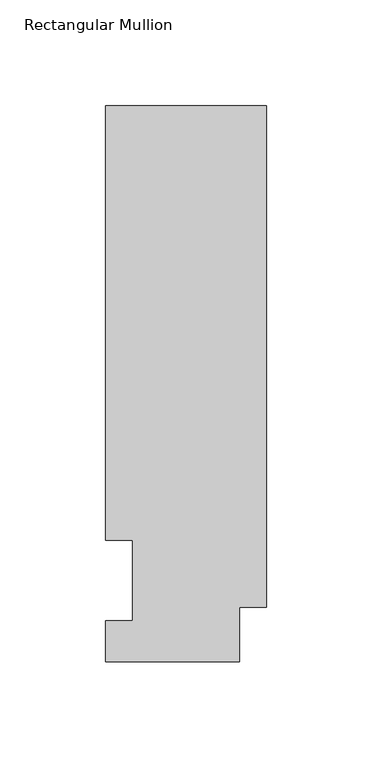
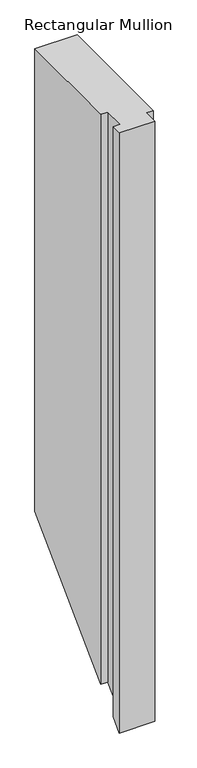
"""IFC4 building model written with IfcOpenShell, lengths in millimetres: member geometry, Rectangular Mullion."""

from ifc_helpers import new_model, si_unit, origin, place, context, project, spatial, faceted_brep, source, transform, mapped, element, save


def rectangular_mullion_7fb9d5b7(model_context):
    return source(origin(), model_context, "Body", "Brep", [
        faceted_brep([(0.0, 263.2336938, 0.0), (-76.2, 263.2336938, 0.0), (-76.2, 57.6460938, 0.0), (-63.5, 57.6460937, 0.0), (-63.5, 19.5460938, 0.0), (-76.2, 19.5460938, 0.0), (-76.2, 0.0134938, 0.0), (-12.7, 0.0134938, 0.0), (-12.7, 25.8955957, 0.0), (0.0, 25.8955957, 0.0), (0.0, 263.2336938, -879.7798), (-76.2, 263.2336938, -879.7798), (-76.2, 57.6460937, -1085.3674), (-63.5, 57.6460937, -1085.3674), (-63.5, 19.5460938, -1123.4674), (-76.2, 19.5460938, -1123.4674), (-76.2, 0.0134938, -1143.0), (-12.7, 0.0134938, -1143.0), (-12.7, 25.8955957, -1117.117898), (0.0, 25.8955957, -1117.117898)], [[[0, 1, 2, 3, 4, 5, 6, 7, 8, 9]], [[1, 0, 10, 11]], [[2, 1, 11, 12]], [[3, 2, 12, 13]], [[4, 3, 13, 14]], [[5, 4, 14, 15]], [[6, 5, 15, 16]], [[7, 6, 16, 17]], [[8, 7, 17, 18]], [[9, 8, 18, 19]], [[0, 9, 19, 10]], [[10, 19, 18, 17, 16, 15, 14, 13, 12, 11]]]),
    ])


if __name__ == "__main__":
    model = new_model("IFC4")
    model_context = context("Model", 3, world=origin())
    ifc_project = project(units=[si_unit("LENGTHUNIT", "METRE", prefix="MILLI")], contexts=[model_context])
    site = spatial("IfcSite", under=ifc_project)
    building = spatial("IfcBuilding", under=site)
    placement = place(None, origin())
    rectangular_mullion_shape = rectangular_mullion_7fb9d5b7(model_context)
    element("IfcMember", 1, ObjectType="Rectangular Mullion", at=placement, inside=building, context=model_context, shape_type="MappedRepresentation", body=[
        mapped(rectangular_mullion_shape, transform((0.0, 0.0, 0.0), x_axis=(1.0, 0.0, 0.0), y_axis=(0.0, 1.0, 0.0), z_axis=(0.0, 0.0, 1.0))),
    ])
    save(model, "model.ifc")
